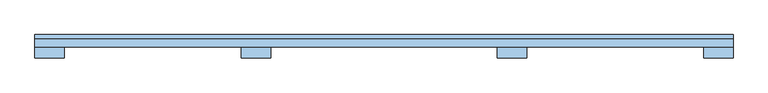
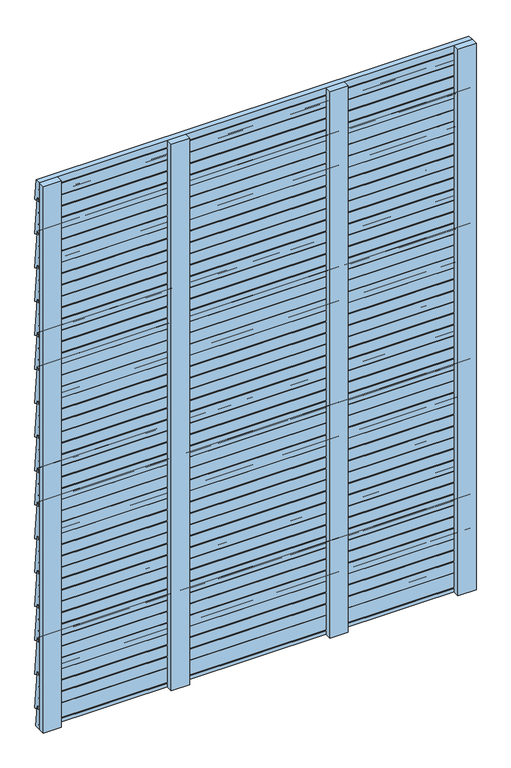
"""IFC4 building model written with IfcOpenShell, lengths in millimetres: window geometry."""

from ifc_helpers import new_model, si_unit, point, frame, frame_2d, origin, place, context, project, spatial, polyline, circle_curve, trimmed, segment, composite_curve, outline, extrude, source, transform, mapped, element, save


def window_c1d340b4(model_context):
    return source(origin(), model_context, "Body", "SweptSolid", [
        extrude(outline(composite_curve([segment(polyline([(149.0486008, 162.0248213), (138.2650704, 164.8526855)]), True, "CONTINUOUS"), segment(trimmed(circle_curve(frame_2d((138.5592328, 165.8456874)), 1.0356565), [point((138.2650704, 164.8526855))], [point((137.5275173, 165.755424))], False, "CARTESIAN"), True, "CONTINUOUS"), segment(polyline([(137.5275173, 165.755424), (136.5, 177.5)]), True, "CONTINUOUS"), segment(trimmed(circle_curve(frame_2d((135.0, 177.5)), 1.5), [point((136.5, 177.5))], [point((135.0, 179.0))], True, "CARTESIAN"), True, "CONTINUOUS"), segment(polyline([(135.0, 179.0), (131.5, 179.0)]), True, "CONTINUOUS"), segment(trimmed(circle_curve(frame_2d((131.5, 177.5)), 1.5), [point((131.5, 179.0))], [point((130.0, 177.5))], True, "CARTESIAN"), True, "CONTINUOUS"), segment(polyline([(130.0, 177.5), (130.0, 171.0)]), True, "CONTINUOUS"), segment(trimmed(circle_curve(frame_2d((129.0, 171.0)), 1.0), [point((130.0, 171.0))], [point((129.0, 170.0))], False, "CARTESIAN"), True, "CONTINUOUS"), segment(polyline([(129.0, 170.0), (124.0, 170.0), (124.0, 208.8689113), (130.0, 208.8689113), (130.0, 212.3689113), (124.0, 212.3689113), (124.0, 250.9745882), (130.0, 250.9745882), (130.0, 254.4745882), (124.0, 254.4745882), (124.0, 293.0), (130.0, 293.0), (130.0, 299.5)]), True, "CONTINUOUS"), segment(trimmed(circle_curve(frame_2d((131.5, 299.5)), 1.5), [point((130.0, 299.5))], [point((131.5, 301.0))], False, "CARTESIAN"), True, "CONTINUOUS"), segment(polyline([(131.5, 301.0), (134.5312583, 301.0)]), True, "CONTINUOUS"), segment(trimmed(circle_curve(frame_2d((134.5312583, 299.5)), 1.5), [point((134.5312583, 301.0))], [point((136.0239451, 299.6479395))], False, "CARTESIAN"), True, "CONTINUOUS"), segment(polyline([(136.0239451, 299.6479395), (149.9960731, 162.8359984)]), True, "CONTINUOUS"), segment(trimmed(circle_curve(frame_2d((149.241104, 162.758896)), 0.758896), [point((149.9960731, 162.8359984))], [point((149.0486008, 162.0248213))], False, "CARTESIAN"), True, "CONTINUOUS")], self_intersect=False)), frame((-750.0, 0.0, 0.0), z_axis=(1.0, 0.0, 0.0), x_axis=(0.0, 1.0, 0.0)), (0.0, 0.0, 1.0), 1500.0),
        extrude(outline(composite_curve([segment(polyline([(149.0486008, 286.0248213), (138.2650704, 288.8526855)]), True, "CONTINUOUS"), segment(trimmed(circle_curve(frame_2d((138.5592328, 289.8456874)), 1.0356565), [point((138.2650704, 288.8526855))], [point((137.5275173, 289.755424))], False, "CARTESIAN"), True, "CONTINUOUS"), segment(polyline([(137.5275173, 289.755424), (136.5, 301.5)]), True, "CONTINUOUS"), segment(trimmed(circle_curve(frame_2d((135.0, 301.5)), 1.5), [point((136.5, 301.5))], [point((135.0, 303.0))], True, "CARTESIAN"), True, "CONTINUOUS"), segment(polyline([(135.0, 303.0), (131.5, 303.0)]), True, "CONTINUOUS"), segment(trimmed(circle_curve(frame_2d((131.5, 301.5)), 1.5), [point((131.5, 303.0))], [point((130.0, 301.5))], True, "CARTESIAN"), True, "CONTINUOUS"), segment(polyline([(130.0, 301.5), (130.0, 295.0)]), True, "CONTINUOUS"), segment(trimmed(circle_curve(frame_2d((129.0, 295.0)), 1.0), [point((130.0, 295.0))], [point((129.0, 294.0))], False, "CARTESIAN"), True, "CONTINUOUS"), segment(polyline([(129.0, 294.0), (124.0, 294.0), (124.0, 332.8689113), (130.0, 332.8689113), (130.0, 336.3689113), (124.0, 336.3689113), (124.0, 374.9745882), (130.0, 374.9745882), (130.0, 378.4745882), (124.0, 378.4745882), (124.0, 417.0), (130.0, 417.0), (130.0, 423.5)]), True, "CONTINUOUS"), segment(trimmed(circle_curve(frame_2d((131.5, 423.5)), 1.5), [point((130.0, 423.5))], [point((131.5, 425.0))], False, "CARTESIAN"), True, "CONTINUOUS"), segment(polyline([(131.5, 425.0), (134.5312583, 425.0)]), True, "CONTINUOUS"), segment(trimmed(circle_curve(frame_2d((134.5312583, 423.5)), 1.5), [point((134.5312583, 425.0))], [point((136.0239451, 423.6479395))], False, "CARTESIAN"), True, "CONTINUOUS"), segment(polyline([(136.0239451, 423.6479395), (149.9960731, 286.8359984)]), True, "CONTINUOUS"), segment(trimmed(circle_curve(frame_2d((149.241104, 286.758896)), 0.758896), [point((149.9960731, 286.8359984))], [point((149.0486008, 286.0248213))], False, "CARTESIAN"), True, "CONTINUOUS")], self_intersect=False)), frame((-750.0, 0.0, 0.0), z_axis=(1.0, 0.0, 0.0), x_axis=(0.0, 1.0, 0.0)), (0.0, 0.0, 1.0), 1500.0),
        extrude(outline(composite_curve([segment(polyline([(149.0486008, 410.0248213), (138.2650704, 412.8526855)]), True, "CONTINUOUS"), segment(trimmed(circle_curve(frame_2d((138.5592328, 413.8456874)), 1.0356565), [point((138.2650704, 412.8526855))], [point((137.5275173, 413.755424))], False, "CARTESIAN"), True, "CONTINUOUS"), segment(polyline([(137.5275173, 413.755424), (136.5, 425.5)]), True, "CONTINUOUS"), segment(trimmed(circle_curve(frame_2d((135.0, 425.5)), 1.5), [point((136.5, 425.5))], [point((135.0, 427.0))], True, "CARTESIAN"), True, "CONTINUOUS"), segment(polyline([(135.0, 427.0), (131.5, 427.0)]), True, "CONTINUOUS"), segment(trimmed(circle_curve(frame_2d((131.5, 425.5)), 1.5), [point((131.5, 427.0))], [point((130.0, 425.5))], True, "CARTESIAN"), True, "CONTINUOUS"), segment(polyline([(130.0, 425.5), (130.0, 419.0)]), True, "CONTINUOUS"), segment(trimmed(circle_curve(frame_2d((129.0, 419.0)), 1.0), [point((130.0, 419.0))], [point((129.0, 418.0))], False, "CARTESIAN"), True, "CONTINUOUS"), segment(polyline([(129.0, 418.0), (124.0, 418.0), (124.0, 456.8689113), (130.0, 456.8689113), (130.0, 460.3689113), (124.0, 460.3689113), (124.0, 498.9745882), (130.0, 498.9745882), (130.0, 502.4745882), (124.0, 502.4745882), (124.0, 541.0), (130.0, 541.0), (130.0, 547.5)]), True, "CONTINUOUS"), segment(trimmed(circle_curve(frame_2d((131.5, 547.5)), 1.5), [point((130.0, 547.5))], [point((131.5, 549.0))], False, "CARTESIAN"), True, "CONTINUOUS"), segment(polyline([(131.5, 549.0), (134.5312583, 549.0)]), True, "CONTINUOUS"), segment(trimmed(circle_curve(frame_2d((134.5312583, 547.5)), 1.5), [point((134.5312583, 549.0))], [point((136.0239451, 547.6479395))], False, "CARTESIAN"), True, "CONTINUOUS"), segment(polyline([(136.0239451, 547.6479395), (149.9960731, 410.8359984)]), True, "CONTINUOUS"), segment(trimmed(circle_curve(frame_2d((149.241104, 410.758896)), 0.758896), [point((149.9960731, 410.8359984))], [point((149.0486008, 410.0248213))], False, "CARTESIAN"), True, "CONTINUOUS")], self_intersect=False)), frame((-750.0, 0.0, 0.0), z_axis=(1.0, 0.0, 0.0), x_axis=(0.0, 1.0, 0.0)), (0.0, 0.0, 1.0), 1500.0),
        extrude(outline(composite_curve([segment(polyline([(149.0486008, 534.0248213), (138.2650704, 536.8526855)]), True, "CONTINUOUS"), segment(trimmed(circle_curve(frame_2d((138.5592328, 537.8456874)), 1.0356565), [point((138.2650704, 536.8526855))], [point((137.5275173, 537.755424))], False, "CARTESIAN"), True, "CONTINUOUS"), segment(polyline([(137.5275173, 537.755424), (136.5, 549.5)]), True, "CONTINUOUS"), segment(trimmed(circle_curve(frame_2d((135.0, 549.5)), 1.5), [point((136.5, 549.5))], [point((135.0, 551.0))], True, "CARTESIAN"), True, "CONTINUOUS"), segment(polyline([(135.0, 551.0), (131.5, 551.0)]), True, "CONTINUOUS"), segment(trimmed(circle_curve(frame_2d((131.5, 549.5)), 1.5), [point((131.5, 551.0))], [point((130.0, 549.5))], True, "CARTESIAN"), True, "CONTINUOUS"), segment(polyline([(130.0, 549.5), (130.0, 543.0)]), True, "CONTINUOUS"), segment(trimmed(circle_curve(frame_2d((129.0, 543.0)), 1.0), [point((130.0, 543.0))], [point((129.0, 542.0))], False, "CARTESIAN"), True, "CONTINUOUS"), segment(polyline([(129.0, 542.0), (124.0, 542.0), (124.0, 580.8689113), (130.0, 580.8689113), (130.0, 584.3689113), (124.0, 584.3689113), (124.0, 622.9745882), (130.0, 622.9745882), (130.0, 626.4745882), (124.0, 626.4745882), (124.0, 665.0), (130.0, 665.0), (130.0, 671.5)]), True, "CONTINUOUS"), segment(trimmed(circle_curve(frame_2d((131.5, 671.5)), 1.5), [point((130.0, 671.5))], [point((131.5, 673.0))], False, "CARTESIAN"), True, "CONTINUOUS"), segment(polyline([(131.5, 673.0), (134.5312583, 673.0)]), True, "CONTINUOUS"), segment(trimmed(circle_curve(frame_2d((134.5312583, 671.5)), 1.5), [point((134.5312583, 673.0))], [point((136.0239451, 671.6479395))], False, "CARTESIAN"), True, "CONTINUOUS"), segment(polyline([(136.0239451, 671.6479395), (149.9960731, 534.8359984)]), True, "CONTINUOUS"), segment(trimmed(circle_curve(frame_2d((149.241104, 534.758896)), 0.758896), [point((149.9960731, 534.8359984))], [point((149.0486008, 534.0248213))], False, "CARTESIAN"), True, "CONTINUOUS")], self_intersect=False)), frame((-750.0, 0.0, 0.0), z_axis=(1.0, 0.0, 0.0), x_axis=(0.0, 1.0, 0.0)), (0.0, 0.0, 1.0), 1500.0),
        extrude(outline(composite_curve([segment(polyline([(149.0486008, 658.0248213), (138.2650704, 660.8526855)]), True, "CONTINUOUS"), segment(trimmed(circle_curve(frame_2d((138.5592328, 661.8456874)), 1.0356565), [point((138.2650704, 660.8526855))], [point((137.5275173, 661.755424))], False, "CARTESIAN"), True, "CONTINUOUS"), segment(polyline([(137.5275173, 661.755424), (136.5, 673.5)]), True, "CONTINUOUS"), segment(trimmed(circle_curve(frame_2d((135.0, 673.5)), 1.5), [point((136.5, 673.5))], [point((135.0, 675.0))], True, "CARTESIAN"), True, "CONTINUOUS"), segment(polyline([(135.0, 675.0), (131.5, 675.0)]), True, "CONTINUOUS"), segment(trimmed(circle_curve(frame_2d((131.5, 673.5)), 1.5), [point((131.5, 675.0))], [point((130.0, 673.5))], True, "CARTESIAN"), True, "CONTINUOUS"), segment(polyline([(130.0, 673.5), (130.0, 667.0)]), True, "CONTINUOUS"), segment(trimmed(circle_curve(frame_2d((129.0, 667.0)), 1.0), [point((130.0, 667.0))], [point((129.0, 666.0))], False, "CARTESIAN"), True, "CONTINUOUS"), segment(polyline([(129.0, 666.0), (124.0, 666.0), (124.0, 704.8689113), (130.0, 704.8689113), (130.0, 708.3689113), (124.0, 708.3689113), (124.0, 746.9745882), (130.0, 746.9745882), (130.0, 750.4745882), (124.0, 750.4745882), (124.0, 789.0), (130.0, 789.0), (130.0, 795.5)]), True, "CONTINUOUS"), segment(trimmed(circle_curve(frame_2d((131.5, 795.5)), 1.5), [point((130.0, 795.5))], [point((131.5, 797.0))], False, "CARTESIAN"), True, "CONTINUOUS"), segment(polyline([(131.5, 797.0), (134.5312583, 797.0)]), True, "CONTINUOUS"), segment(trimmed(circle_curve(frame_2d((134.5312583, 795.5)), 1.5), [point((134.5312583, 797.0))], [point((136.0239451, 795.6479395))], False, "CARTESIAN"), True, "CONTINUOUS"), segment(polyline([(136.0239451, 795.6479395), (149.9960731, 658.8359984)]), True, "CONTINUOUS"), segment(trimmed(circle_curve(frame_2d((149.241104, 658.758896)), 0.758896), [point((149.9960731, 658.8359984))], [point((149.0486008, 658.0248213))], False, "CARTESIAN"), True, "CONTINUOUS")], self_intersect=False)), frame((-750.0, 0.0, 0.0), z_axis=(1.0, 0.0, 0.0), x_axis=(0.0, 1.0, 0.0)), (0.0, 0.0, 1.0), 1500.0),
        extrude(outline(composite_curve([segment(polyline([(149.0486008, 782.0248213), (138.2650704, 784.8526855)]), True, "CONTINUOUS"), segment(trimmed(circle_curve(frame_2d((138.5592328, 785.8456874)), 1.0356565), [point((138.2650704, 784.8526855))], [point((137.5275173, 785.755424))], False, "CARTESIAN"), True, "CONTINUOUS"), segment(polyline([(137.5275173, 785.755424), (136.5, 797.5)]), True, "CONTINUOUS"), segment(trimmed(circle_curve(frame_2d((135.0, 797.5)), 1.5), [point((136.5, 797.5))], [point((135.0, 799.0))], True, "CARTESIAN"), True, "CONTINUOUS"), segment(polyline([(135.0, 799.0), (131.5, 799.0)]), True, "CONTINUOUS"), segment(trimmed(circle_curve(frame_2d((131.5, 797.5)), 1.5), [point((131.5, 799.0))], [point((130.0, 797.5))], True, "CARTESIAN"), True, "CONTINUOUS"), segment(polyline([(130.0, 797.5), (130.0, 791.0)]), True, "CONTINUOUS"), segment(trimmed(circle_curve(frame_2d((129.0, 791.0)), 1.0), [point((130.0, 791.0))], [point((129.0, 790.0))], False, "CARTESIAN"), True, "CONTINUOUS"), segment(polyline([(129.0, 790.0), (124.0, 790.0), (124.0, 828.8689113), (130.0, 828.8689113), (130.0, 832.3689113), (124.0, 832.3689113), (124.0, 870.9745882), (130.0, 870.9745882), (130.0, 874.4745882), (124.0, 874.4745882), (124.0, 913.0), (130.0, 913.0), (130.0, 919.5)]), True, "CONTINUOUS"), segment(trimmed(circle_curve(frame_2d((131.5, 919.5)), 1.5), [point((130.0, 919.5))], [point((131.5, 921.0))], False, "CARTESIAN"), True, "CONTINUOUS"), segment(polyline([(131.5, 921.0), (134.5312583, 921.0)]), True, "CONTINUOUS"), segment(trimmed(circle_curve(frame_2d((134.5312583, 919.5)), 1.5), [point((134.5312583, 921.0))], [point((136.0239451, 919.6479395))], False, "CARTESIAN"), True, "CONTINUOUS"), segment(polyline([(136.0239451, 919.6479395), (149.9960731, 782.8359984)]), True, "CONTINUOUS"), segment(trimmed(circle_curve(frame_2d((149.241104, 782.758896)), 0.758896), [point((149.9960731, 782.8359984))], [point((149.0486008, 782.0248213))], False, "CARTESIAN"), True, "CONTINUOUS")], self_intersect=False)), frame((-750.0, 0.0, 0.0), z_axis=(1.0, 0.0, 0.0), x_axis=(0.0, 1.0, 0.0)), (0.0, 0.0, 1.0), 1500.0),
        extrude(outline(composite_curve([segment(polyline([(149.0486008, 906.0248213), (138.2650704, 908.8526855)]), True, "CONTINUOUS"), segment(trimmed(circle_curve(frame_2d((138.5592328, 909.8456874)), 1.0356565), [point((138.2650704, 908.8526855))], [point((137.5275173, 909.755424))], False, "CARTESIAN"), True, "CONTINUOUS"), segment(polyline([(137.5275173, 909.755424), (136.5, 921.5)]), True, "CONTINUOUS"), segment(trimmed(circle_curve(frame_2d((135.0, 921.5)), 1.5), [point((136.5, 921.5))], [point((135.0, 923.0))], True, "CARTESIAN"), True, "CONTINUOUS"), segment(polyline([(135.0, 923.0), (131.5, 923.0)]), True, "CONTINUOUS"), segment(trimmed(circle_curve(frame_2d((131.5, 921.5)), 1.5), [point((131.5, 923.0))], [point((130.0, 921.5))], True, "CARTESIAN"), True, "CONTINUOUS"), segment(polyline([(130.0, 921.5), (130.0, 915.0)]), True, "CONTINUOUS"), segment(trimmed(circle_curve(frame_2d((129.0, 915.0)), 1.0), [point((130.0, 915.0))], [point((129.0, 914.0))], False, "CARTESIAN"), True, "CONTINUOUS"), segment(polyline([(129.0, 914.0), (124.0, 914.0), (124.0, 952.8689113), (130.0, 952.8689113), (130.0, 956.3689113), (124.0, 956.3689113), (124.0, 994.9745882), (130.0, 994.9745882), (130.0, 998.4745882), (124.0, 998.4745882), (124.0, 1037.0), (130.0, 1037.0), (130.0, 1043.5)]), True, "CONTINUOUS"), segment(trimmed(circle_curve(frame_2d((131.5, 1043.5)), 1.5), [point((130.0, 1043.5))], [point((131.5, 1045.0))], False, "CARTESIAN"), True, "CONTINUOUS"), segment(polyline([(131.5, 1045.0), (134.5312583, 1045.0)]), True, "CONTINUOUS"), segment(trimmed(circle_curve(frame_2d((134.5312583, 1043.5)), 1.5), [point((134.5312583, 1045.0))], [point((136.0239451, 1043.6479395))], False, "CARTESIAN"), True, "CONTINUOUS"), segment(polyline([(136.0239451, 1043.6479395), (149.9960731, 906.8359984)]), True, "CONTINUOUS"), segment(trimmed(circle_curve(frame_2d((149.241104, 906.758896)), 0.758896), [point((149.9960731, 906.8359984))], [point((149.0486008, 906.0248213))], False, "CARTESIAN"), True, "CONTINUOUS")], self_intersect=False)), frame((-750.0, 0.0, 0.0), z_axis=(1.0, 0.0, 0.0), x_axis=(0.0, 1.0, 0.0)), (0.0, 0.0, 1.0), 1500.0),
        extrude(outline(composite_curve([segment(polyline([(149.0486008, 1030.0248213), (138.2650704, 1032.8526855)]), True, "CONTINUOUS"), segment(trimmed(circle_curve(frame_2d((138.5592328, 1033.8456874)), 1.0356565), [point((138.2650704, 1032.8526855))], [point((137.5275173, 1033.755424))], False, "CARTESIAN"), True, "CONTINUOUS"), segment(polyline([(137.5275173, 1033.755424), (136.5, 1045.5)]), True, "CONTINUOUS"), segment(trimmed(circle_curve(frame_2d((135.0, 1045.5)), 1.5), [point((136.5, 1045.5))], [point((135.0, 1047.0))], True, "CARTESIAN"), True, "CONTINUOUS"), segment(polyline([(135.0, 1047.0), (131.5, 1047.0)]), True, "CONTINUOUS"), segment(trimmed(circle_curve(frame_2d((131.5, 1045.5)), 1.5), [point((131.5, 1047.0))], [point((130.0, 1045.5))], True, "CARTESIAN"), True, "CONTINUOUS"), segment(polyline([(130.0, 1045.5), (130.0, 1039.0)]), True, "CONTINUOUS"), segment(trimmed(circle_curve(frame_2d((129.0, 1039.0)), 1.0), [point((130.0, 1039.0))], [point((129.0, 1038.0))], False, "CARTESIAN"), True, "CONTINUOUS"), segment(polyline([(129.0, 1038.0), (124.0, 1038.0), (124.0, 1076.8689113), (130.0, 1076.8689113), (130.0, 1080.3689113), (124.0, 1080.3689113), (124.0, 1118.9745882), (130.0, 1118.9745882), (130.0, 1122.4745882), (124.0, 1122.4745882), (124.0, 1161.0), (130.0, 1161.0), (130.0, 1167.5)]), True, "CONTINUOUS"), segment(trimmed(circle_curve(frame_2d((131.5, 1167.5)), 1.5), [point((130.0, 1167.5))], [point((131.5, 1169.0))], False, "CARTESIAN"), True, "CONTINUOUS"), segment(polyline([(131.5, 1169.0), (134.5312583, 1169.0)]), True, "CONTINUOUS"), segment(trimmed(circle_curve(frame_2d((134.5312583, 1167.5)), 1.5), [point((134.5312583, 1169.0))], [point((136.0239451, 1167.6479395))], False, "CARTESIAN"), True, "CONTINUOUS"), segment(polyline([(136.0239451, 1167.6479395), (149.9960731, 1030.8359984)]), True, "CONTINUOUS"), segment(trimmed(circle_curve(frame_2d((149.241104, 1030.758896)), 0.758896), [point((149.9960731, 1030.8359984))], [point((149.0486008, 1030.0248213))], False, "CARTESIAN"), True, "CONTINUOUS")], self_intersect=False)), frame((-750.0, 0.0, 0.0), z_axis=(1.0, 0.0, 0.0), x_axis=(0.0, 1.0, 0.0)), (0.0, 0.0, 1.0), 1500.0),
        extrude(outline(composite_curve([segment(polyline([(149.0486008, 1154.0248213), (138.2650704, 1156.8526855)]), True, "CONTINUOUS"), segment(trimmed(circle_curve(frame_2d((138.5592328, 1157.8456874)), 1.0356565), [point((138.2650704, 1156.8526855))], [point((137.5275173, 1157.755424))], False, "CARTESIAN"), True, "CONTINUOUS"), segment(polyline([(137.5275173, 1157.755424), (136.5, 1169.5)]), True, "CONTINUOUS"), segment(trimmed(circle_curve(frame_2d((135.0, 1169.5)), 1.5), [point((136.5, 1169.5))], [point((135.0, 1171.0))], True, "CARTESIAN"), True, "CONTINUOUS"), segment(polyline([(135.0, 1171.0), (131.5, 1171.0)]), True, "CONTINUOUS"), segment(trimmed(circle_curve(frame_2d((131.5, 1169.5)), 1.5), [point((131.5, 1171.0))], [point((130.0, 1169.5))], True, "CARTESIAN"), True, "CONTINUOUS"), segment(polyline([(130.0, 1169.5), (130.0, 1163.0)]), True, "CONTINUOUS"), segment(trimmed(circle_curve(frame_2d((129.0, 1163.0)), 1.0), [point((130.0, 1163.0))], [point((129.0, 1162.0))], False, "CARTESIAN"), True, "CONTINUOUS"), segment(polyline([(129.0, 1162.0), (124.0, 1162.0), (124.0, 1200.8689113), (130.0, 1200.8689113), (130.0, 1204.3689113), (124.0, 1204.3689113), (124.0, 1242.9745882), (130.0, 1242.9745882), (130.0, 1246.4745882), (124.0, 1246.4745882), (124.0, 1285.0), (130.0, 1285.0), (130.0, 1291.5)]), True, "CONTINUOUS"), segment(trimmed(circle_curve(frame_2d((131.5, 1291.5)), 1.5), [point((130.0, 1291.5))], [point((131.5, 1293.0))], False, "CARTESIAN"), True, "CONTINUOUS"), segment(polyline([(131.5, 1293.0), (134.5312583, 1293.0)]), True, "CONTINUOUS"), segment(trimmed(circle_curve(frame_2d((134.5312583, 1291.5)), 1.5), [point((134.5312583, 1293.0))], [point((136.0239451, 1291.6479395))], False, "CARTESIAN"), True, "CONTINUOUS"), segment(polyline([(136.0239451, 1291.6479395), (149.9960731, 1154.8359984)]), True, "CONTINUOUS"), segment(trimmed(circle_curve(frame_2d((149.241104, 1154.758896)), 0.758896), [point((149.9960731, 1154.8359984))], [point((149.0486008, 1154.0248213))], False, "CARTESIAN"), True, "CONTINUOUS")], self_intersect=False)), frame((-750.0, 0.0, 0.0), z_axis=(1.0, 0.0, 0.0), x_axis=(0.0, 1.0, 0.0)), (0.0, 0.0, 1.0), 1500.0),
        extrude(outline(composite_curve([segment(polyline([(149.0486008, 1278.0248213), (138.2650704, 1280.8526855)]), True, "CONTINUOUS"), segment(trimmed(circle_curve(frame_2d((138.5592328, 1281.8456874)), 1.0356565), [point((138.2650704, 1280.8526855))], [point((137.5275173, 1281.755424))], False, "CARTESIAN"), True, "CONTINUOUS"), segment(polyline([(137.5275173, 1281.755424), (136.5, 1293.5)]), True, "CONTINUOUS"), segment(trimmed(circle_curve(frame_2d((135.0, 1293.5)), 1.5), [point((136.5, 1293.5))], [point((135.0, 1295.0))], True, "CARTESIAN"), True, "CONTINUOUS"), segment(polyline([(135.0, 1295.0), (131.5, 1295.0)]), True, "CONTINUOUS"), segment(trimmed(circle_curve(frame_2d((131.5, 1293.5)), 1.5), [point((131.5, 1295.0))], [point((130.0, 1293.5))], True, "CARTESIAN"), True, "CONTINUOUS"), segment(polyline([(130.0, 1293.5), (130.0, 1287.0)]), True, "CONTINUOUS"), segment(trimmed(circle_curve(frame_2d((129.0, 1287.0)), 1.0), [point((130.0, 1287.0))], [point((129.0, 1286.0))], False, "CARTESIAN"), True, "CONTINUOUS"), segment(polyline([(129.0, 1286.0), (124.0, 1286.0), (124.0, 1324.8689113), (130.0, 1324.8689113), (130.0, 1328.3689113), (124.0, 1328.3689113), (124.0, 1366.9745882), (130.0, 1366.9745882), (130.0, 1370.4745882), (124.0, 1370.4745882), (124.0, 1409.0), (130.0, 1409.0), (130.0, 1415.5)]), True, "CONTINUOUS"), segment(trimmed(circle_curve(frame_2d((131.5, 1415.5)), 1.5), [point((130.0, 1415.5))], [point((131.5, 1417.0))], False, "CARTESIAN"), True, "CONTINUOUS"), segment(polyline([(131.5, 1417.0), (134.5312583, 1417.0)]), True, "CONTINUOUS"), segment(trimmed(circle_curve(frame_2d((134.5312583, 1415.5)), 1.5), [point((134.5312583, 1417.0))], [point((136.0239451, 1415.6479395))], False, "CARTESIAN"), True, "CONTINUOUS"), segment(polyline([(136.0239451, 1415.6479395), (149.9960731, 1278.8359984)]), True, "CONTINUOUS"), segment(trimmed(circle_curve(frame_2d((149.241104, 1278.758896)), 0.758896), [point((149.9960731, 1278.8359984))], [point((149.0486008, 1278.0248213))], False, "CARTESIAN"), True, "CONTINUOUS")], self_intersect=False)), frame((-750.0, 0.0, 0.0), z_axis=(1.0, 0.0, 0.0), x_axis=(0.0, 1.0, 0.0)), (0.0, 0.0, 1.0), 1500.0),
        extrude(outline(composite_curve([segment(polyline([(149.0486008, 1402.0248213), (138.2650704, 1404.8526855)]), True, "CONTINUOUS"), segment(trimmed(circle_curve(frame_2d((138.5592328, 1405.8456874)), 1.0356565), [point((138.2650704, 1404.8526855))], [point((137.5275173, 1405.755424))], False, "CARTESIAN"), True, "CONTINUOUS"), segment(polyline([(137.5275173, 1405.755424), (136.5, 1417.5)]), True, "CONTINUOUS"), segment(trimmed(circle_curve(frame_2d((135.0, 1417.5)), 1.5), [point((136.5, 1417.5))], [point((135.0, 1419.0))], True, "CARTESIAN"), True, "CONTINUOUS"), segment(polyline([(135.0, 1419.0), (131.5, 1419.0)]), True, "CONTINUOUS"), segment(trimmed(circle_curve(frame_2d((131.5, 1417.5)), 1.5), [point((131.5, 1419.0))], [point((130.0, 1417.5))], True, "CARTESIAN"), True, "CONTINUOUS"), segment(polyline([(130.0, 1417.5), (130.0, 1411.0)]), True, "CONTINUOUS"), segment(trimmed(circle_curve(frame_2d((129.0, 1411.0)), 1.0), [point((130.0, 1411.0))], [point((129.0, 1410.0))], False, "CARTESIAN"), True, "CONTINUOUS"), segment(polyline([(129.0, 1410.0), (124.0, 1410.0), (124.0, 1448.8689113), (130.0, 1448.8689113), (130.0, 1452.3689113), (124.0, 1452.3689113), (124.0, 1490.9745882), (130.0, 1490.9745882), (130.0, 1494.4745882), (124.0, 1494.4745882), (124.0, 1533.0), (130.0, 1533.0), (130.0, 1539.5)]), True, "CONTINUOUS"), segment(trimmed(circle_curve(frame_2d((131.5, 1539.5)), 1.5), [point((130.0, 1539.5))], [point((131.5, 1541.0))], False, "CARTESIAN"), True, "CONTINUOUS"), segment(polyline([(131.5, 1541.0), (134.5312583, 1541.0)]), True, "CONTINUOUS"), segment(trimmed(circle_curve(frame_2d((134.5312583, 1539.5)), 1.5), [point((134.5312583, 1541.0))], [point((136.0239451, 1539.6479395))], False, "CARTESIAN"), True, "CONTINUOUS"), segment(polyline([(136.0239451, 1539.6479395), (149.9960731, 1402.8359984)]), True, "CONTINUOUS"), segment(trimmed(circle_curve(frame_2d((149.241104, 1402.758896)), 0.758896), [point((149.9960731, 1402.8359984))], [point((149.0486008, 1402.0248213))], False, "CARTESIAN"), True, "CONTINUOUS")], self_intersect=False)), frame((-750.0, 0.0, 0.0), z_axis=(1.0, 0.0, 0.0), x_axis=(0.0, 1.0, 0.0)), (0.0, 0.0, 1.0), 1500.0),
        extrude(outline(composite_curve([segment(polyline([(149.0486008, 1526.0248213), (138.2650704, 1528.8526855)]), True, "CONTINUOUS"), segment(trimmed(circle_curve(frame_2d((138.5592328, 1529.8456874)), 1.0356565), [point((138.2650704, 1528.8526855))], [point((137.5275173, 1529.755424))], False, "CARTESIAN"), True, "CONTINUOUS"), segment(polyline([(137.5275173, 1529.755424), (136.5, 1541.5)]), True, "CONTINUOUS"), segment(trimmed(circle_curve(frame_2d((135.0, 1541.5)), 1.5), [point((136.5, 1541.5))], [point((135.0, 1543.0))], True, "CARTESIAN"), True, "CONTINUOUS"), segment(polyline([(135.0, 1543.0), (131.5, 1543.0)]), True, "CONTINUOUS"), segment(trimmed(circle_curve(frame_2d((131.5, 1541.5)), 1.5), [point((131.5, 1543.0))], [point((130.0, 1541.5))], True, "CARTESIAN"), True, "CONTINUOUS"), segment(polyline([(130.0, 1541.5), (130.0, 1535.0)]), True, "CONTINUOUS"), segment(trimmed(circle_curve(frame_2d((129.0, 1535.0)), 1.0), [point((130.0, 1535.0))], [point((129.0, 1534.0))], False, "CARTESIAN"), True, "CONTINUOUS"), segment(polyline([(129.0, 1534.0), (124.0, 1534.0), (124.0, 1572.8689113), (130.0, 1572.8689113), (130.0, 1576.3689113), (124.0, 1576.3689113), (124.0, 1614.9745882), (130.0, 1614.9745882), (130.0, 1618.4745882), (124.0, 1618.4745882), (124.0, 1657.0), (130.0, 1657.0), (130.0, 1663.5)]), True, "CONTINUOUS"), segment(trimmed(circle_curve(frame_2d((131.5, 1663.5)), 1.5), [point((130.0, 1663.5))], [point((131.5, 1665.0))], False, "CARTESIAN"), True, "CONTINUOUS"), segment(polyline([(131.5, 1665.0), (134.5312583, 1665.0)]), True, "CONTINUOUS"), segment(trimmed(circle_curve(frame_2d((134.5312583, 1663.5)), 1.5), [point((134.5312583, 1665.0))], [point((136.0239451, 1663.6479395))], False, "CARTESIAN"), True, "CONTINUOUS"), segment(polyline([(136.0239451, 1663.6479395), (149.9960731, 1526.8359984)]), True, "CONTINUOUS"), segment(trimmed(circle_curve(frame_2d((149.241104, 1526.758896)), 0.758896), [point((149.9960731, 1526.8359984))], [point((149.0486008, 1526.0248213))], False, "CARTESIAN"), True, "CONTINUOUS")], self_intersect=False)), frame((-750.0, 0.0, 0.0), z_axis=(1.0, 0.0, 0.0), x_axis=(0.0, 1.0, 0.0)), (0.0, 0.0, 1.0), 1500.0),
        extrude(outline(composite_curve([segment(polyline([(149.0486008, 1650.0248213), (138.2650704, 1652.8526855)]), True, "CONTINUOUS"), segment(trimmed(circle_curve(frame_2d((138.5592328, 1653.8456874)), 1.0356565), [point((138.2650704, 1652.8526855))], [point((137.5275173, 1653.755424))], False, "CARTESIAN"), True, "CONTINUOUS"), segment(polyline([(137.5275173, 1653.755424), (136.5, 1665.5)]), True, "CONTINUOUS"), segment(trimmed(circle_curve(frame_2d((135.0, 1665.5)), 1.5), [point((136.5, 1665.5))], [point((135.0, 1667.0))], True, "CARTESIAN"), True, "CONTINUOUS"), segment(polyline([(135.0, 1667.0), (131.5, 1667.0)]), True, "CONTINUOUS"), segment(trimmed(circle_curve(frame_2d((131.5, 1665.5)), 1.5), [point((131.5, 1667.0))], [point((130.0, 1665.5))], True, "CARTESIAN"), True, "CONTINUOUS"), segment(polyline([(130.0, 1665.5), (130.0, 1659.0)]), True, "CONTINUOUS"), segment(trimmed(circle_curve(frame_2d((129.0, 1659.0)), 1.0), [point((130.0, 1659.0))], [point((129.0, 1658.0))], False, "CARTESIAN"), True, "CONTINUOUS"), segment(polyline([(129.0, 1658.0), (124.0, 1658.0), (124.0, 1696.8689113), (130.0, 1696.8689113), (130.0, 1700.3689113), (124.0, 1700.3689113), (124.0, 1738.9745882), (130.0, 1738.9745882), (130.0, 1742.4745882), (124.0, 1742.4745882), (124.0, 1781.0), (130.0, 1781.0), (130.0, 1787.5)]), True, "CONTINUOUS"), segment(trimmed(circle_curve(frame_2d((131.5, 1787.5)), 1.5), [point((130.0, 1787.5))], [point((131.5, 1789.0))], False, "CARTESIAN"), True, "CONTINUOUS"), segment(polyline([(131.5, 1789.0), (134.5312583, 1789.0)]), True, "CONTINUOUS"), segment(trimmed(circle_curve(frame_2d((134.5312583, 1787.5)), 1.5), [point((134.5312583, 1789.0))], [point((136.0239451, 1787.6479395))], False, "CARTESIAN"), True, "CONTINUOUS"), segment(polyline([(136.0239451, 1787.6479395), (149.9960731, 1650.8359984)]), True, "CONTINUOUS"), segment(trimmed(circle_curve(frame_2d((149.241104, 1650.758896)), 0.758896), [point((149.9960731, 1650.8359984))], [point((149.0486008, 1650.0248213))], False, "CARTESIAN"), True, "CONTINUOUS")], self_intersect=False)), frame((-750.0, 0.0, 0.0), z_axis=(1.0, 0.0, 0.0), x_axis=(0.0, 1.0, 0.0)), (0.0, 0.0, 1.0), 1500.0),
        extrude(outline(composite_curve([segment(polyline([(149.0486008, 1774.0248213), (138.2650704, 1776.8526855)]), True, "CONTINUOUS"), segment(trimmed(circle_curve(frame_2d((138.5592328, 1777.8456874)), 1.0356565), [point((138.2650704, 1776.8526855))], [point((137.5275173, 1777.755424))], False, "CARTESIAN"), True, "CONTINUOUS"), segment(polyline([(137.5275173, 1777.755424), (136.5, 1789.5)]), True, "CONTINUOUS"), segment(trimmed(circle_curve(frame_2d((135.0, 1789.5)), 1.5), [point((136.5, 1789.5))], [point((135.0, 1791.0))], True, "CARTESIAN"), True, "CONTINUOUS"), segment(polyline([(135.0, 1791.0), (131.5, 1791.0)]), True, "CONTINUOUS"), segment(trimmed(circle_curve(frame_2d((131.5, 1789.5)), 1.5), [point((131.5, 1791.0))], [point((130.0, 1789.5))], True, "CARTESIAN"), True, "CONTINUOUS"), segment(polyline([(130.0, 1789.5), (130.0, 1783.0)]), True, "CONTINUOUS"), segment(trimmed(circle_curve(frame_2d((129.0, 1783.0)), 1.0), [point((130.0, 1783.0))], [point((129.0, 1782.0))], False, "CARTESIAN"), True, "CONTINUOUS"), segment(polyline([(129.0, 1782.0), (124.0, 1782.0), (124.0, 1820.8689113), (130.0, 1820.8689113), (130.0, 1824.3689113), (124.0, 1824.3689113), (124.0, 1862.9745882), (130.0, 1862.9745882), (130.0, 1866.4745882), (124.0, 1866.4745882), (124.0, 1905.0), (130.0, 1905.0), (130.0, 1911.5)]), True, "CONTINUOUS"), segment(trimmed(circle_curve(frame_2d((131.5, 1911.5)), 1.5), [point((130.0, 1911.5))], [point((131.5, 1913.0))], False, "CARTESIAN"), True, "CONTINUOUS"), segment(polyline([(131.5, 1913.0), (134.5312583, 1913.0)]), True, "CONTINUOUS"), segment(trimmed(circle_curve(frame_2d((134.5312583, 1911.5)), 1.5), [point((134.5312583, 1913.0))], [point((136.0239451, 1911.6479395))], False, "CARTESIAN"), True, "CONTINUOUS"), segment(polyline([(136.0239451, 1911.6479395), (149.9960731, 1774.8359984)]), True, "CONTINUOUS"), segment(trimmed(circle_curve(frame_2d((149.241104, 1774.758896)), 0.758896), [point((149.9960731, 1774.8359984))], [point((149.0486008, 1774.0248213))], False, "CARTESIAN"), True, "CONTINUOUS")], self_intersect=False)), frame((-750.0, 0.0, 0.0), z_axis=(1.0, 0.0, 0.0), x_axis=(0.0, 1.0, 0.0)), (0.0, 0.0, 1.0), 1500.0),
        extrude(outline(composite_curve([segment(polyline([(149.0486008, 1898.0248213), (138.2650704, 1900.8526855)]), True, "CONTINUOUS"), segment(trimmed(circle_curve(frame_2d((138.5592328, 1901.8456874)), 1.0356565), [point((138.2650704, 1900.8526855))], [point((137.5275173, 1901.755424))], False, "CARTESIAN"), True, "CONTINUOUS"), segment(polyline([(137.5275173, 1901.755424), (136.5, 1913.5)]), True, "CONTINUOUS"), segment(trimmed(circle_curve(frame_2d((135.0, 1913.5)), 1.5), [point((136.5, 1913.5))], [point((135.0, 1915.0))], True, "CARTESIAN"), True, "CONTINUOUS"), segment(polyline([(135.0, 1915.0), (131.5, 1915.0)]), True, "CONTINUOUS"), segment(trimmed(circle_curve(frame_2d((131.5, 1913.5)), 1.5), [point((131.5, 1915.0))], [point((130.0, 1913.5))], True, "CARTESIAN"), True, "CONTINUOUS"), segment(polyline([(130.0, 1913.5), (130.0, 1907.0)]), True, "CONTINUOUS"), segment(trimmed(circle_curve(frame_2d((129.0, 1907.0)), 1.0), [point((130.0, 1907.0))], [point((129.0, 1906.0))], False, "CARTESIAN"), True, "CONTINUOUS"), segment(polyline([(129.0, 1906.0), (124.0, 1906.0), (124.0, 1944.8689113), (130.0, 1944.8689113), (130.0, 1948.3689113), (124.0, 1948.3689113), (124.0, 1986.9745882), (130.0, 1986.9745882), (130.0, 1990.4745882), (124.0, 1990.4745882), (124.0, 2029.0), (130.0, 2029.0), (130.0, 2035.5)]), True, "CONTINUOUS"), segment(trimmed(circle_curve(frame_2d((131.5, 2035.5)), 1.5), [point((130.0, 2035.5))], [point((131.5, 2037.0))], False, "CARTESIAN"), True, "CONTINUOUS"), segment(polyline([(131.5, 2037.0), (134.5312583, 2037.0)]), True, "CONTINUOUS"), segment(trimmed(circle_curve(frame_2d((134.5312583, 2035.5)), 1.5), [point((134.5312583, 2037.0))], [point((136.0239451, 2035.6479395))], False, "CARTESIAN"), True, "CONTINUOUS"), segment(polyline([(136.0239451, 2035.6479395), (149.9960731, 1898.8359984)]), True, "CONTINUOUS"), segment(trimmed(circle_curve(frame_2d((149.241104, 1898.758896)), 0.758896), [point((149.9960731, 1898.8359984))], [point((149.0486008, 1898.0248213))], False, "CARTESIAN"), True, "CONTINUOUS")], self_intersect=False)), frame((-750.0, 0.0, 0.0), z_axis=(1.0, 0.0, 0.0), x_axis=(0.0, 1.0, 0.0)), (0.0, 0.0, 1.0), 1500.0),
        extrude(outline(composite_curve([segment(polyline([(136.0239451, 175.6479395), (143.7496062, 100.0), (124.0, 100.0), (124.0, 111.9745882), (130.0, 111.9745882), (130.0, 115.4745882), (124.0, 115.4745882), (124.0, 169.0), (130.0, 169.0), (130.0, 175.5)]), True, "CONTINUOUS"), segment(trimmed(circle_curve(frame_2d((131.5, 175.5)), 1.5), [point((130.0, 175.5))], [point((131.5, 177.0))], False, "CARTESIAN"), True, "CONTINUOUS"), segment(polyline([(131.5, 177.0), (134.5312583, 177.0)]), True, "CONTINUOUS"), segment(trimmed(circle_curve(frame_2d((134.5312583, 175.5)), 1.5), [point((134.5312583, 177.0))], [point((136.0239451, 175.6479395))], False, "CARTESIAN"), True, "CONTINUOUS")], self_intersect=False)), frame((-750.0, 0.0, 0.0), z_axis=(1.0, 0.0, 0.0), x_axis=(0.0, 1.0, 0.0)), (0.0, 0.0, 1.0), 1500.0),
        extrude(outline(composite_curve([segment(polyline([(149.0486008, 2023.0248213), (138.2704843, 2025.8526855)]), True, "CONTINUOUS"), segment(trimmed(circle_curve(frame_2d((138.5646467, 2026.8456874)), 1.0356565), [point((138.2704843, 2025.8526855))], [point((137.5329312, 2026.755424))], False, "CARTESIAN"), True, "CONTINUOUS"), segment(polyline([(137.5329312, 2026.755424), (136.4957881, 2038.4879677)]), True, "CONTINUOUS"), segment(trimmed(circle_curve(frame_2d((135.0102268, 2038.4879677)), 1.4855613), [point((136.4957881, 2038.4879677))], [point((135.0102268, 2039.973529))], True, "CARTESIAN"), True, "CONTINUOUS"), segment(polyline([(135.0102268, 2039.973529), (131.4126301, 2039.973529)]), True, "CONTINUOUS"), segment(trimmed(circle_curve(frame_2d((131.4126301, 2038.5252678)), 1.4482612), [point((131.4126301, 2039.973529))], [point((129.9643689, 2038.5252678))], True, "CARTESIAN"), True, "CONTINUOUS"), segment(polyline([(129.9643689, 2038.5252678), (129.9643689, 2032.0411504)]), True, "CONTINUOUS"), segment(trimmed(circle_curve(frame_2d((128.9232185, 2032.0411504)), 1.0411504), [point((129.9643689, 2032.0411504))], [point((128.9232185, 2031.0))], False, "CARTESIAN"), True, "CONTINUOUS"), segment(polyline([(128.9232185, 2031.0), (124.0, 2031.0), (124.0, 2069.8689113), (130.0, 2069.8689113), (130.0, 2073.3689113), (124.0, 2073.3689113), (124.0, 2100.0), (142.1737873, 2100.0), (149.9521521, 2023.8359984)]), True, "CONTINUOUS"), segment(trimmed(circle_curve(frame_2d((149.2054729, 2023.758896)), 0.7506494), [point((149.9521521, 2023.8359984))], [point((149.0486008, 2023.0248213))], False, "CARTESIAN"), True, "CONTINUOUS")], self_intersect=False)), frame((-750.0, 0.0, 0.0), z_axis=(1.0, 0.0, 0.0), x_axis=(0.0, 1.0, 0.0)), (0.0, 0.0, 1.0), 1500.0),
        extrude(outline(polyline([(-306.5, 124.0), (-243.5, 124.0), (-243.5, 100.0), (-306.5, 100.0), (-306.5, 124.0)])), frame((0.0, 0.0, 100.0), z_axis=(0.0, 0.0, 1.0), x_axis=(1.0, 0.0, 0.0)), (0.0, 0.0, 1.0), 2000.0),
        extrude(outline(polyline([(243.5, 124.0), (306.5, 124.0), (306.5, 100.0), (243.5, 100.0), (243.5, 124.0)])), frame((0.0, 0.0, 100.0), z_axis=(0.0, 0.0, 1.0), x_axis=(1.0, 0.0, 0.0)), (0.0, 0.0, 1.0), 2000.0),
        extrude(outline(polyline([(-750.0, 124.0), (-687.0, 124.0), (-687.0, 100.0), (-750.0, 100.0), (-750.0, 124.0)])), frame((0.0, 0.0, 100.0), z_axis=(0.0, 0.0, 1.0), x_axis=(1.0, 0.0, 0.0)), (0.0, 0.0, 1.0), 2000.0),
        extrude(outline(polyline([(687.0, 124.0), (750.0, 124.0), (750.0, 100.0), (687.0, 100.0), (687.0, 124.0)])), frame((0.0, 0.0, 100.0), z_axis=(0.0, 0.0, 1.0), x_axis=(1.0, 0.0, 0.0)), (0.0, 0.0, 1.0), 2000.0),
    ])


if __name__ == "__main__":
    model = new_model("IFC4")
    model_context = context("Model", 3, world=origin())
    ifc_project = project(units=[si_unit("LENGTHUNIT", "METRE", prefix="MILLI")], contexts=[model_context])
    site = spatial("IfcSite", under=ifc_project)
    building = spatial("IfcBuilding", under=site)
    placement = place(None, origin())
    window_shape = window_c1d340b4(model_context)
    element("IfcWindow", 1, at=placement, inside=building, context=model_context, shape_type="MappedRepresentation", body=[
        mapped(window_shape, transform((0.0, 0.0, 0.0), x_axis=(1.0, 0.0, 0.0), y_axis=(0.0, 1.0, 0.0), z_axis=(0.0, 0.0, 1.0))),
    ])
    save(model, "model.ifc")
